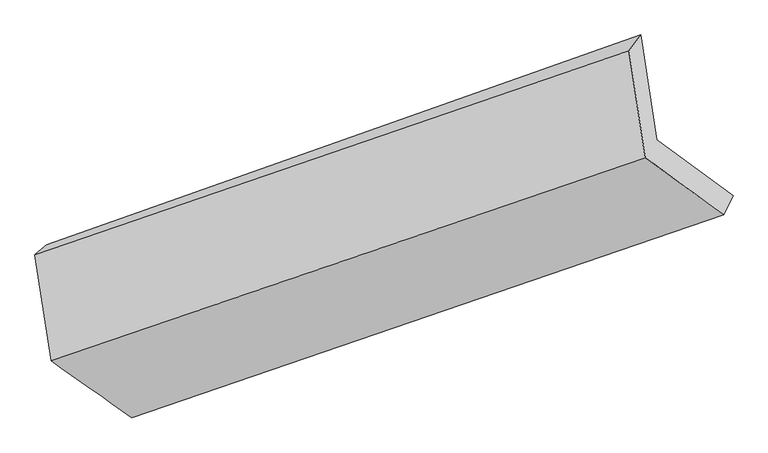
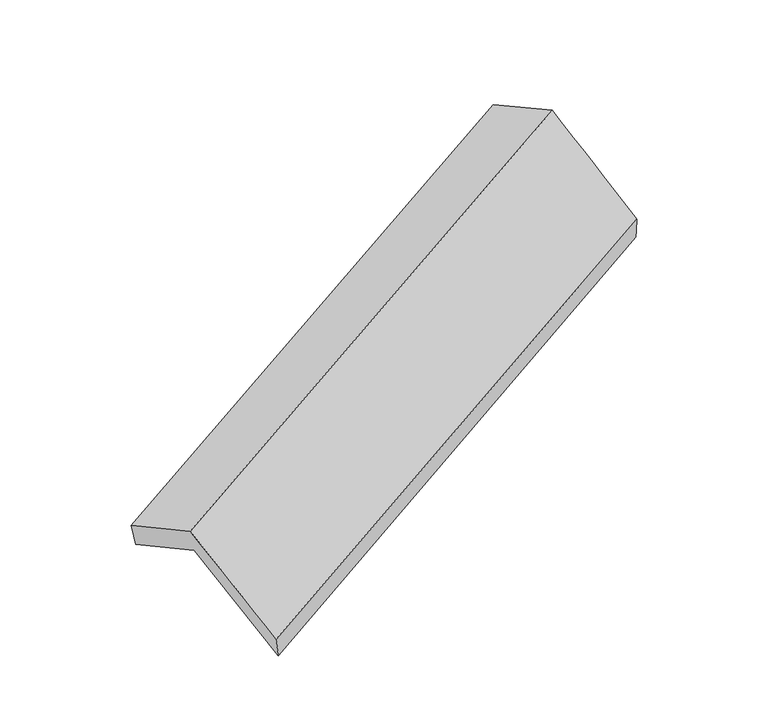
"""IFC4 building model written with IfcOpenShell, lengths in millimetres: proxy geometry."""

from ifc_helpers import new_model, si_unit, frame, origin, place, context, project, spatial, source, transform, mapped, element, save
from ifc_brep_helpers import plane_surface, spline_surface, advanced_brep


def generic_models_70b552b1(model_context):
    return source(origin(), model_context, "Body", "AdvancedBrep", [
        advanced_brep(
        [(-3833.845231, -2213.312824, 1003.7936631), (-4163.3986866, -1981.6735138, 1592.1082756), (-1684.5422218, -1106.1345765, 2631.636157), (-1365.2591736, -1339.3102733, 2043.3797537), (-4230.0476216, -1544.0822399, 1382.4794052), (-1751.1911568, -668.5433026, 2422.0072866), (-4279.8119618, -1585.1454583, 1535.2681359), (-1799.9272385, -734.1541618, 2598.3031145), (-4212.1275603, -2029.5352069, 1748.1538276), (-1731.8959433, -1180.8214816, 2812.2798807), (-3875.3499051, -2266.2523235, 1146.9426663), (-1404.8344619, -1419.6778482, 2209.6922653)],
        [
            (0, 1),
            (1, 2),
            (2, 3),
            (3, 0),
            (1, 4),
            (4, 5),
            (5, 2),
            (4, 6),
            (6, 7),
            (7, 5),
            (6, 8),
            (8, 9),
            (9, 7),
            (8, 10),
            (10, 11),
            (11, 9),
            (10, 0),
            (3, 11),
        ],
        [
            plane_surface(frame((-3998.6219588, -2097.4931689, 1297.9509693), z_axis=(-0.136082730006164, 0.8934668678389458, -0.4280168766160201), x_axis=(-0.45047337545646476, 0.32898534327465, 0.8299652895846427))),
            plane_surface(frame((-4196.7231541, -1762.8778768, 1487.2938404), z_axis=(0.46110018399181407, -0.32526754733807506, -0.8255832138381863), x_axis=(-0.1360827300061077, 0.8934668678389069, -0.428016876616119))),
            spline_surface(1, 1, [[(-4230.0476216, -1544.0822399, 1382.4794052), (-1751.1911568, -668.5433026, 2422.0072866)], [(-4279.8119618, -1585.1454583, 1535.2681359), (-1799.9272385, -734.1541618, 2598.3031145)]], [2, 2], [2, 2], [0.0, 1.0], [0.0, 1.0]),
            plane_surface(frame((-4245.969761, -1807.3403326, 1641.7109818), z_axis=(-0.46449023859268745, 0.3240665151594191, 0.8241539370800447), x_axis=(0.1360827300061272, -0.8934668678389202, 0.4280168766160852))),
            spline_surface(1, 1, [[(-4212.1275603, -2029.5352069, 1748.1538276), (-1731.8959433, -1180.8214816, 2812.2798807)], [(-3875.3499051, -2266.2523235, 1146.9426663), (-1404.8344619, -1419.6778482, 2209.6922653)]], [2, 2], [2, 2], [0.0, 1.0], [0.0, 1.0]),
            spline_surface(1, 1, [[(-3875.3499051, -2266.2523235, 1146.9426663), (-1404.8344619, -1419.6778482, 2209.6922653)], [(-3833.845231, -2213.312824, 1003.7936631), (-1365.2591736, -1339.3102733, 2043.3797537)]], [2, 2], [2, 2], [0.0, 1.0], [0.0, 1.0]),
            plane_surface(frame((-1622.9416993, -1074.7736073, 2452.8830763), z_axis=(0.8823577667811069, 0.30575414957855546, 0.35771381216910336), x_axis=(0.45047337545646865, -0.3289853432747193, -0.8299652895846131))),
            plane_surface(frame((-4099.0968277, -1936.6669277, 1401.4576623), z_axis=(-0.8762701849670665, -0.3101154340710962, -0.36875327861414187), x_axis=(-0.26241010748424115, -0.3347059110316279, 0.9050485559408386))),
        ],
        [
            (0, [[1, 2, 3, 4]]),
            (1, [[5, 6, 7, -2]]),
            (2, [[8, 9, 10, -6]]),
            (3, [[11, 12, 13, -9]]),
            (4, [[14, 15, 16, -12]]),
            (5, [[17, -4, 18, -15]]),
            (6, [[-16, -18, -3, -7, -10, -13]]),
            (7, [[-17, -14, -11, -8, -5, -1]]),
        ],
    ),
    ])


if __name__ == "__main__":
    model = new_model("IFC4")
    model_context = context("Model", 3, world=origin())
    ifc_project = project(units=[si_unit("LENGTHUNIT", "METRE", prefix="MILLI")], contexts=[model_context])
    site = spatial("IfcSite", under=ifc_project)
    building = spatial("IfcBuilding", under=site)
    placement = place(None, origin())
    generic_models_shape = generic_models_70b552b1(model_context)
    element("IfcBuildingElementProxy", 1, Name="Generic Models", at=placement, inside=building, context=model_context, shape_type="MappedRepresentation", body=[
        mapped(generic_models_shape, transform((0.0, 0.0, 0.0), x_axis=(1.0, 0.0, 0.0), y_axis=(0.0, 1.0, 0.0), z_axis=(0.0, 0.0, 1.0))),
    ])
    save(model, "model.ifc")
